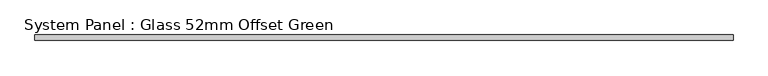
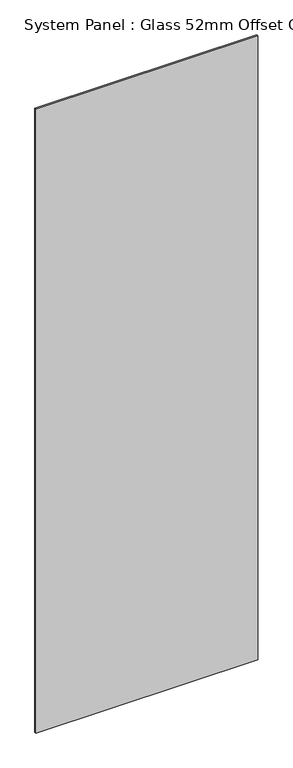
"""IFC4 building model written with IfcOpenShell, lengths in millimetres: plate geometry, System Panel : Glass 52mm Offset Green."""

from ifc_helpers import new_model, si_unit, origin, origin_with_axes, place, context, project, spatial, polyline, outline, extrude, source, transform, mapped, element, save


def system_panel_glass_52mm_offset_green_572d3823(model_context):
    return source(origin(), model_context, "Body", "SweptSolid", [
        extrude(outline(polyline([(651.5629343, -57.0), (-651.5629343, -57.0), (-651.5629343, -47.0), (651.5629343, -47.0), (651.5629343, -57.0)])), origin_with_axes(), (0.0, 0.0, 1.0), 3870.5),
    ])


if __name__ == "__main__":
    model = new_model("IFC4")
    model_context = context("Model", 3, world=origin())
    ifc_project = project(units=[si_unit("LENGTHUNIT", "METRE", prefix="MILLI")], contexts=[model_context])
    site = spatial("IfcSite", under=ifc_project)
    building = spatial("IfcBuilding", under=site)
    placement = place(None, origin())
    system_panel_glass_52mm_offset_green_shape = system_panel_glass_52mm_offset_green_572d3823(model_context)
    element("IfcPlate", 1, ObjectType="System Panel : Glass 52mm Offset Green", at=placement, inside=building, context=model_context, shape_type="MappedRepresentation", body=[
        mapped(system_panel_glass_52mm_offset_green_shape, transform((0.0, 0.0, 0.0), x_axis=(1.0, 0.0, 0.0), y_axis=(0.0, 1.0, 0.0), z_axis=(0.0, 0.0, 1.0))),
    ])
    save(model, "model.ifc")
